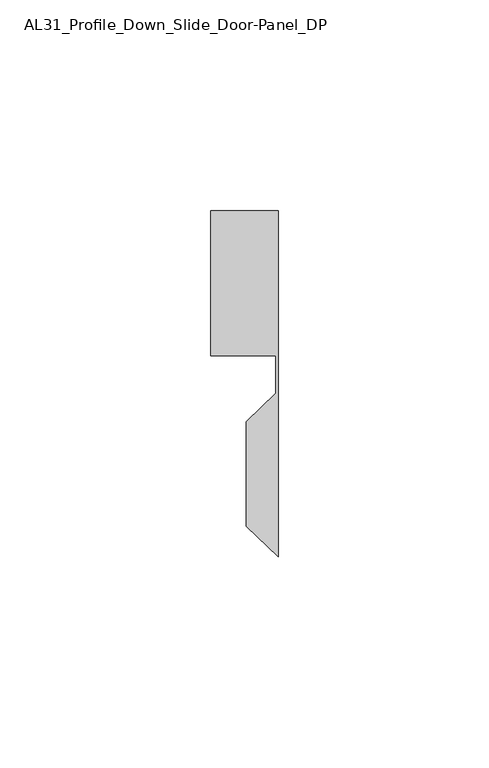
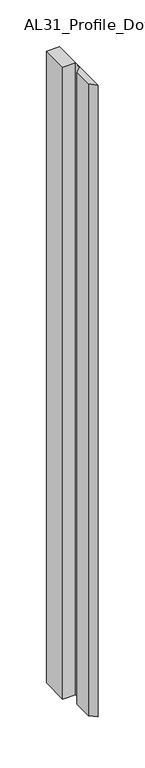
"""IFC4 building model written with IfcOpenShell, lengths in millimetres: member geometry, AL31_Profile_Down_Slide_Door-Panel_DP."""

from ifc_helpers import new_model, si_unit, frame, origin, place, context, project, spatial, polyline, outline, extrude, source, transform, mapped, element, save


def al31_profile_down_slide_door_panel_dp_9c99aba2(model_context):
    return source(origin(), model_context, "Body", "SweptSolid", [
        extrude(outline(polyline([(0.0, 37.107), (0.0, -45.1094902), (-7.6107048, -37.8269611), (-7.6107048, -13.0546075), (-0.5072866, -6.2574907), (-0.5072866, 2.607), (-16.0427074, 2.607), (-16.0427074, 37.107), (0.0, 37.107)])), frame((0.0, 0.0, -824.0594583), z_axis=(0.0, 0.0, 1.0), x_axis=(1.0, 0.0, 0.0)), (0.0, 0.0, 1.0), 824.0594583),
    ])


if __name__ == "__main__":
    model = new_model("IFC4")
    model_context = context("Model", 3, world=origin())
    ifc_project = project(units=[si_unit("LENGTHUNIT", "METRE", prefix="MILLI")], contexts=[model_context])
    site = spatial("IfcSite", under=ifc_project)
    building = spatial("IfcBuilding", under=site)
    placement = place(None, origin())
    al31_profile_down_slide_door_panel_dp_shape = al31_profile_down_slide_door_panel_dp_9c99aba2(model_context)
    element("IfcMember", 1, ObjectType="AL31_Profile_Down_Slide_Door-Panel_DP", at=placement, inside=building, context=model_context, shape_type="MappedRepresentation", body=[
        mapped(al31_profile_down_slide_door_panel_dp_shape, transform((0.0, 0.0, 0.0), x_axis=(1.0, 0.0, 0.0), y_axis=(0.0, 1.0, 0.0), z_axis=(0.0, 0.0, 1.0))),
    ])
    save(model, "model.ifc")
